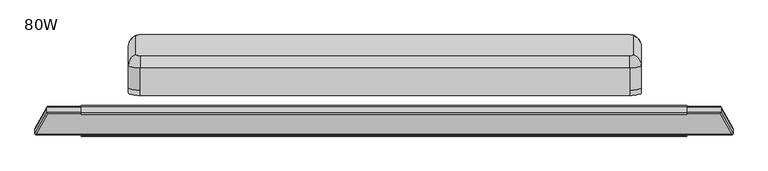
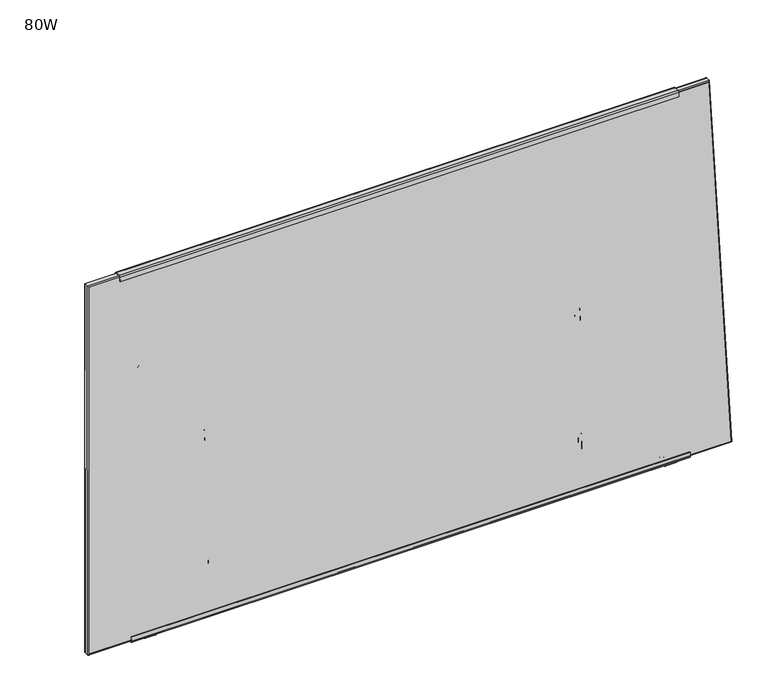
"""IFC4 building model written with IfcOpenShell, lengths in millimetres: furniture geometry, 80W."""

from ifc_helpers import new_model, si_unit, point, frame, frame_2d, origin, place, context, project, spatial, polyline, circle_curve, ellipse_curve, trimmed, segment, composite_curve, outline, extrude, source, transform, mapped, element, save
from ifc_brep_helpers import plane_surface, cylinder_surface, revolved_surface, advanced_brep


def furniture_80w_b59c00e8(model_context):
    return source(origin(), model_context, "Body", "SolidModel", [
        extrude(outline(composite_curve([segment(trimmed(circle_curve(frame_2d((0.0, -1.3809271)), 1.3809271), [point((0.0, -2.7618542))], [point((1.3809271, -1.3809275))], True, "CARTESIAN"), True, "CONTINUOUS"), segment(polyline([(1.3809271, -1.3809275), (1.3809331, 22.4892676)]), True, "CONTINUOUS"), segment(trimmed(circle_curve(frame_2d((0.0128467, 22.489268)), 1.3680864), [point((1.3809331, 22.4892676))], [point((0.0128467, 23.8573544))], True, "CARTESIAN"), True, "CONTINUOUS"), segment(polyline([(0.0128467, 23.8573544), (-17.9462587, 23.8573544)]), True, "CONTINUOUS"), segment(trimmed(circle_curve(frame_2d((-17.9462587, 28.6619926)), 4.8046382), [point((-17.9462587, 23.8573544))], [point((-22.7508969, 28.6619926))], False, "CARTESIAN"), True, "CONTINUOUS"), segment(polyline([(-22.7508969, 28.6619926), (-22.7508969, 46.082609), (-19.7014948, 46.082609), (-19.7014994, 28.2553941)]), True, "CONTINUOUS"), segment(trimmed(circle_curve(frame_2d((-18.3514573, 28.2553938)), 1.3500421), [point((-19.7014994, 28.2553941))], [point((-18.3514573, 26.9053517))], True, "CARTESIAN"), True, "CONTINUOUS"), segment(polyline([(-18.3514573, 26.9053517), (-0.2870618, 26.9053517)]), True, "CONTINUOUS"), segment(trimmed(circle_curve(frame_2d((-0.2870618, 22.1894808)), 4.7158708), [point((-0.2870618, 26.9053517))], [point((4.428809, 22.1894796))], False, "CARTESIAN"), True, "CONTINUOUS"), segment(polyline([(4.428809, 22.1894796), (4.4288032, -0.6723231)]), True, "CONTINUOUS"), segment(trimmed(circle_curve(frame_2d((-0.7084718, -0.6723218)), 5.1372751), [point((4.4288032, -0.6723231))], [point((-0.7084718, -5.809597))], False, "CARTESIAN"), True, "CONTINUOUS"), segment(polyline([(-0.7084718, -5.809597), (-8.1440729, -5.809597), (-8.1440729, -2.7618542), (0.0, -2.7618542)]), True, "CONTINUOUS")], self_intersect=False)), frame((1590.6345165, 32.3737244, 144.3796724), z_axis=(0.0, 0.05233595624294945, 0.9986295347545736), x_axis=(0.0, 0.9986295347545736, -0.05233595624294945)), (0.0, 0.0, 1.0), 50.4083184),
        extrude(outline(composite_curve([segment(trimmed(circle_curve(frame_2d((0.0, -1.3809271)), 1.3809271), [point((0.0, -2.7618542))], [point((1.380927, -1.3809275))], True, "CARTESIAN"), True, "CONTINUOUS"), segment(polyline([(1.380927, -1.3809275), (1.3809331, 22.4892599)]), True, "CONTINUOUS"), segment(trimmed(circle_curve(frame_2d((0.0128467, 22.4892602)), 1.3680864), [point((1.3809331, 22.4892599))], [point((0.0128467, 23.8573466))], True, "CARTESIAN"), True, "CONTINUOUS"), segment(polyline([(0.0128467, 23.8573466), (-29.8525087, 23.8573466)]), True, "CONTINUOUS"), segment(trimmed(circle_curve(frame_2d((-29.8525087, 28.6619848)), 4.8046382), [point((-29.8525087, 23.8573466))], [point((-34.6571469, 28.6619848))], False, "CARTESIAN"), True, "CONTINUOUS"), segment(polyline([(-34.6571469, 28.6619848), (-34.6571469, 46.0826012), (-31.6077448, 46.0826012), (-31.6077494, 28.2553863)]), True, "CONTINUOUS"), segment(trimmed(circle_curve(frame_2d((-30.2577073, 28.255386)), 1.3500421), [point((-31.6077494, 28.2553863))], [point((-30.2577073, 26.9053439))], True, "CARTESIAN"), True, "CONTINUOUS"), segment(polyline([(-30.2577073, 26.9053439), (-0.2870619, 26.9053439)]), True, "CONTINUOUS"), segment(trimmed(circle_curve(frame_2d((-0.2870619, 22.1894731)), 4.7158708), [point((-0.2870619, 26.9053439))], [point((4.428809, 22.1894719))], False, "CARTESIAN"), True, "CONTINUOUS"), segment(polyline([(4.428809, 22.1894719), (4.4288032, -0.6723231)]), True, "CONTINUOUS"), segment(trimmed(circle_curve(frame_2d((-0.7084719, -0.6723218)), 5.1372751), [point((4.4288032, -0.6723231))], [point((-0.7084719, -5.809597))], False, "CARTESIAN"), True, "CONTINUOUS"), segment(polyline([(-0.7084719, -5.809597), (-8.144073, -5.809597), (-8.144073, -2.7618542), (0.0, -2.7618542)]), True, "CONTINUOUS")], self_intersect=False)), frame((1591.0313915, 51.2771859, 562.9379975), z_axis=(0.0, 0.08715574274766424, 0.996194698091745), x_axis=(0.0, 0.996194698091745, -0.08715574274766424)), (0.0, 0.0, 1.0), 51.1352235),
        extrude(outline(composite_curve([segment(polyline([(-2.4039227, 19.3703361), (-18.8919156, 20.2344351)]), True, "CONTINUOUS"), segment(trimmed(circle_curve(frame_2d((-18.6526375, 24.800132)), 4.5719626), [point((-18.8919156, 20.2344351))], [point((-23.2162566, 25.0762164))], False, "CARTESIAN"), True, "CONTINUOUS"), segment(polyline([(-23.2162566, 25.0762164), (-22.4585421, 39.5342703), (-20.1749938, 39.4145946), (-20.9327541, 24.95567)]), True, "CONTINUOUS"), segment(trimmed(circle_curve(frame_2d((-18.6507538, 24.8360754)), 2.285132), [point((-20.9327541, 24.95567))], [point((-18.7703484, 22.5540751))], True, "CARTESIAN"), True, "CONTINUOUS"), segment(polyline([(-18.7703484, 22.5540751), (-2.2823555, 21.689976)]), True, "CONTINUOUS"), segment(trimmed(circle_curve(frame_2d((-2.1627609, 23.9719763)), 2.285132), [point((-2.2823555, 21.689976))], [point((0.1192394, 23.8523818))], True, "CARTESIAN"), True, "CONTINUOUS"), segment(polyline([(0.1192394, 23.8523818), (0.8769993, 38.3113064), (3.1606988, 38.1916228), (2.4031314, 23.7363749)]), True, "CONTINUOUS"), segment(trimmed(circle_curve(frame_2d((-2.2023575, 23.9777383)), 4.6118092), [point((2.4031314, 23.7363749))], [point((-2.4039227, 19.3703361))], False, "CARTESIAN"), True, "CONTINUOUS")], self_intersect=False)), frame((91.8930192, 0.0, 0.0), z_axis=(1.0, 0.0, 0.0), x_axis=(0.0, 1.0, 0.0)), (0.0, 0.0, 1.0), 1801.5677456),
        extrude(outline(composite_curve([segment(polyline([(8.144073, 0.0), (0.0, 0.0), (0.0, 3.0477428), (7.4356011, 3.0477428)]), True, "CONTINUOUS"), segment(trimmed(circle_curve(frame_2d((7.4356011, -2.0895324)), 5.1372751), [point((7.4356011, 3.0477428))], [point((12.5728762, -2.0895311))], False, "CARTESIAN"), True, "CONTINUOUS"), segment(polyline([(12.5728762, -2.0895311), (12.5728819, -24.9513261)]), True, "CONTINUOUS"), segment(trimmed(circle_curve(frame_2d((7.8570111, -24.9513273)), 4.7158708), [point((12.5728819, -24.9513261))], [point((7.8570111, -29.6671981))], False, "CARTESIAN"), True, "CONTINUOUS"), segment(polyline([(7.8570111, -29.6671981), (-22.1136344, -29.6671981)]), True, "CONTINUOUS"), segment(trimmed(circle_curve(frame_2d((-22.1136344, -31.0172402)), 1.3500421), [point((-22.1136344, -29.6671981))], [point((-23.4636765, -31.0172405))], True, "CARTESIAN"), True, "CONTINUOUS"), segment(polyline([(-23.4636765, -31.0172405), (-23.4636719, -48.8444554), (-26.513074, -48.8444554), (-26.513074, -31.423839)]), True, "CONTINUOUS"), segment(trimmed(circle_curve(frame_2d((-21.7084358, -31.423839)), 4.8046382), [point((-26.513074, -31.423839))], [point((-21.7084358, -26.6192008))], False, "CARTESIAN"), True, "CONTINUOUS"), segment(polyline([(-21.7084358, -26.6192008), (8.1569196, -26.6192008)]), True, "CONTINUOUS"), segment(trimmed(circle_curve(frame_2d((8.1569196, -25.2511144)), 1.3680864), [point((8.1569196, -26.6192008))], [point((9.525006, -25.2511141))], True, "CARTESIAN"), True, "CONTINUOUS"), segment(polyline([(9.525006, -25.2511141), (9.525, -1.3809267)]), True, "CONTINUOUS"), segment(trimmed(circle_curve(frame_2d((8.144073, -1.3809271)), 1.3809271), [point((9.525, -1.3809267))], [point((8.144073, 0.0))], True, "CARTESIAN"), True, "CONTINUOUS")], self_intersect=False)), frame((373.9130043, 43.1641036, 563.6478002), z_axis=(0.0, 0.08715574274766426, 0.996194698091745), x_axis=(0.0, 0.996194698091745, -0.08715574274766426)), (0.0, 0.0, 1.0), 51.1352235),
        extrude(outline(composite_curve([segment(polyline([(8.1440729, 0.0), (0.0, 0.0), (0.0, 3.0477428), (7.435601, 3.0477428)]), True, "CONTINUOUS"), segment(trimmed(circle_curve(frame_2d((7.435601, -2.0895324)), 5.1372751), [point((7.435601, 3.0477428))], [point((12.5728761, -2.0895311))], False, "CARTESIAN"), True, "CONTINUOUS"), segment(polyline([(12.5728761, -2.0895311), (12.5728819, -24.9513338)]), True, "CONTINUOUS"), segment(trimmed(circle_curve(frame_2d((7.8570111, -24.951335)), 4.7158708), [point((12.5728819, -24.9513338))], [point((7.8570111, -29.6672059))], False, "CARTESIAN"), True, "CONTINUOUS"), segment(polyline([(7.8570111, -29.6672059), (-10.2073845, -29.6672059)]), True, "CONTINUOUS"), segment(trimmed(circle_curve(frame_2d((-10.2073845, -31.017248)), 1.3500421), [point((-10.2073845, -29.6672059))], [point((-11.5574266, -31.0172483))], True, "CARTESIAN"), True, "CONTINUOUS"), segment(polyline([(-11.5574266, -31.0172483), (-11.5574219, -48.8444632), (-14.606824, -48.8444632), (-14.606824, -31.4238468)]), True, "CONTINUOUS"), segment(trimmed(circle_curve(frame_2d((-9.8021859, -31.4238468)), 4.8046382), [point((-14.606824, -31.4238468))], [point((-9.8021859, -26.6192086))], False, "CARTESIAN"), True, "CONTINUOUS"), segment(polyline([(-9.8021859, -26.6192086), (8.1569196, -26.6192086)]), True, "CONTINUOUS"), segment(trimmed(circle_curve(frame_2d((8.1569196, -25.2511222)), 1.3680864), [point((8.1569196, -26.6192086))], [point((9.525006, -25.2511218))], True, "CARTESIAN"), True, "CONTINUOUS"), segment(polyline([(9.525006, -25.2511218), (9.525, -1.3809267)]), True, "CONTINUOUS"), segment(trimmed(circle_curve(frame_2d((8.1440729, -1.3809271)), 1.3809271), [point((9.525, -1.3809267))], [point((8.1440729, 0.0))], True, "CARTESIAN"), True, "CONTINUOUS")], self_intersect=False)), frame((373.9130043, 24.2408127, 144.8059002), z_axis=(0.0, 0.05233595624294945, 0.9986295347545736), x_axis=(0.0, 0.9986295347545736, -0.05233595624294945)), (0.0, 0.0, 1.0), 50.4083184),
        extrude(outline(composite_curve([segment(polyline([(-18.5911719, 20.5975436), (21.1676183, 20.5975436)]), True, "CONTINUOUS"), segment(trimmed(circle_curve(frame_2d((21.1676183, 22.2066346)), 1.609091), [point((21.1676183, 20.5975436))], [point((22.7108138, 22.6623993))], True, "CARTESIAN"), True, "CONTINUOUS"), segment(polyline([(22.7108138, 22.6623993), (4.5957637, 83.9990238), (4.5957637, 96.8063842), (8.0168765, 96.8063842), (8.0168765, 84.5839696), (25.9416036, 23.891769)]), True, "CONTINUOUS"), segment(trimmed(circle_curve(frame_2d((20.9377121, 22.4139285)), 5.217561), [point((25.9416036, 23.891769))], [point((20.9377121, 17.1963676))], False, "CARTESIAN"), True, "CONTINUOUS"), segment(polyline([(20.9377121, 17.1963676), (-17.0817223, 17.1963676)]), True, "CONTINUOUS"), segment(trimmed(circle_curve(frame_2d((-17.0817223, 22.1226629)), 4.9262954), [point((-17.0817223, 17.1963676))], [point((-22.0080176, 22.1226629))], False, "CARTESIAN"), True, "CONTINUOUS"), segment(polyline([(-22.0080176, 22.1226629), (-22.0080176, 36.4727737), (-18.5911719, 36.4727737), (-18.5911719, 20.5975436)]), True, "CONTINUOUS")], self_intersect=False)), frame((1812.1384343, 0.0, 0.0), z_axis=(1.0, 0.0, 0.0), x_axis=(0.0, 1.0, 0.0)), (0.0, 0.0, 1.0), 38.1),
        extrude(outline(composite_curve([segment(trimmed(circle_curve(frame_2d((1833.7950191, 29.5612365)), 15.0532637), [point((1821.7965171, 20.4707637))], [point((1820.7122549, 37.0071769))], False, "CARTESIAN"), True, "CONTINUOUS"), segment(polyline([(1820.7122549, 37.0071769), (1841.2938431, 37.0071769)]), True, "CONTINUOUS"), segment(trimmed(circle_curve(frame_2d((1828.211079, 29.5612365)), 15.0532637), [point((1841.2938431, 37.0071769))], [point((1840.209581, 20.4707637))], False, "CARTESIAN"), True, "CONTINUOUS"), segment(polyline([(1840.209581, 20.4707637), (1821.7965171, 20.4707637)]), True, "CONTINUOUS")], self_intersect=False)), frame((0.0, 0.0, 13.858606), z_axis=(0.0, 0.0, 1.0), x_axis=(1.0, 0.0, 0.0)), (0.0, 0.0, 1.0), 3.3377616),
        advanced_brep(
        [(1831.1884343, 32.5853659, 13.858606), (1831.1884343, 31.9984282, 14.8752118), (1831.1884343, 25.375017, 14.8752118), (1831.1884343, 24.7880793, 13.858606), (1831.1884343, 36.6173395, 11.2402116), (1831.1884343, 20.7561056, 11.2402116), (1831.1884343, 36.6173395, 8.74896), (1831.1884343, 20.7561056, 8.74896), (1831.1884343, 35.0356704, 8.74896), (1831.1884343, 22.3377748, 8.74896), (1831.1884343, 39.8952895, 5.9432577), (1831.1884343, 17.4781557, 5.9432577), (1831.1884343, 43.0859452, 3.5556814), (1831.1884343, 14.2875, 3.5556814), (1831.1884343, 41.0330539, 0.0), (1831.1884343, 16.3403912, 0.0), (1831.1884343, 28.6867226, 0.0), (1831.1884343, 32.6380713, 17.1963676), (1831.1884343, 28.6867226, 17.1963676), (1831.1884343, 24.7353739, 17.1963676), (1831.1884343, 32.6380713, 15.514855), (1831.1884343, 24.7353739, 15.514855)],
        [
            (0, 1),
            (1, 2, circle_curve(frame((1831.1884343, 28.6867226, 14.8752118), z_axis=(0.0, 0.0, -1.0), x_axis=(0.0, -1.0, 0.0)), 3.3117056)),
            (2, 3),
            (3, 0, circle_curve(frame((1831.1884343, 28.6867226, 13.858606), z_axis=(0.0, 0.0, 1.0), x_axis=(0.0, -1.0, 0.0)), 3.8986433)),
            (2, 1, circle_curve(frame((1831.1884343, 28.6867226, 14.8752118), z_axis=(0.0, 0.0, -1.0), x_axis=(0.0, -1.0, 0.0)), 3.3117056)),
            (0, 3, circle_curve(frame((1831.1884343, 28.6867226, 13.858606), z_axis=(0.0, 0.0, 1.0), x_axis=(0.0, -1.0, 0.0)), 3.8986433)),
            (4, 0),
            (3, 5),
            (5, 4, circle_curve(frame((1831.1884343, 28.6867226, 11.2402116), z_axis=(0.0, 0.0, 1.0), x_axis=(0.0, -1.0, 0.0)), 7.930617)),
            (4, 5, circle_curve(frame((1831.1884343, 28.6867226, 11.2402116), z_axis=(0.0, 0.0, 1.0), x_axis=(0.0, -1.0, 0.0)), 7.930617)),
            (6, 4),
            (5, 7),
            (7, 6, circle_curve(frame((1831.1884343, 28.6867226, 8.74896), z_axis=(0.0, 0.0, 1.0), x_axis=(0.0, -1.0, 0.0)), 7.930617)),
            (6, 7, circle_curve(frame((1831.1884343, 28.6867226, 8.74896), z_axis=(0.0, 0.0, 1.0), x_axis=(0.0, -1.0, 0.0)), 7.930617)),
            (8, 6),
            (7, 9),
            (9, 8, circle_curve(frame((1831.1884343, 28.6867226, 8.74896), z_axis=(0.0, 0.0, 1.0), x_axis=(0.0, -1.0, 0.0)), 6.3489478)),
            (8, 9, circle_curve(frame((1831.1884343, 28.6867226, 8.74896), z_axis=(0.0, 0.0, 1.0), x_axis=(0.0, -1.0, 0.0)), 6.3489478)),
            (10, 8, circle_curve(frame((1831.1884343, 39.5479154, 10.9529929), z_axis=(-1.0, 0.0, 0.0), x_axis=(0.0, -1.0, 0.0)), 5.0217642)),
            (9, 11, circle_curve(frame((1831.1884343, 17.8255298, 10.9529929), z_axis=(-1.0, 0.0, 0.0), x_axis=(0.0, 1.0, 0.0)), 5.0217642)),
            (11, 10, circle_curve(frame((1831.1884343, 28.6867226, 5.9432577), z_axis=(0.0, 0.0, 1.0), x_axis=(0.0, -1.0, 0.0)), 11.2085669)),
            (10, 11, circle_curve(frame((1831.1884343, 28.6867226, 5.9432577), z_axis=(0.0, 0.0, 1.0), x_axis=(0.0, -1.0, 0.0)), 11.2085669)),
            (12, 10, circle_curve(frame((1831.1884343, 40.1063377, 2.8995769), z_axis=(1.0, 0.0, 0.0), x_axis=(0.0, -1.0, 0.0)), 3.050989)),
            (11, 13, circle_curve(frame((1831.1884343, 17.2671075, 2.8995769), z_axis=(1.0, 0.0, 0.0), x_axis=(0.0, 1.0, 0.0)), 3.050989)),
            (13, 12, circle_curve(frame((1831.1884343, 28.6867226, 3.5556814), z_axis=(0.0, 0.0, 1.0), x_axis=(0.0, -1.0, 0.0)), 14.3992226)),
            (12, 13, circle_curve(frame((1831.1884343, 28.6867226, 3.5556814), z_axis=(0.0, 0.0, 1.0), x_axis=(0.0, -1.0, 0.0)), 14.3992226)),
            (14, 12),
            (13, 15),
            (15, 14, circle_curve(frame((1831.1884343, 28.6867226, 0.0), z_axis=(0.0, 0.0, 1.0), x_axis=(0.0, -1.0, 0.0)), 12.3463313)),
            (14, 15, circle_curve(frame((1831.1884343, 28.6867226, 0.0), z_axis=(0.0, 0.0, 1.0), x_axis=(0.0, -1.0, 0.0)), 12.3463313)),
            (16, 14),
            (15, 16),
            (17, 18),
            (18, 19),
            (19, 17, circle_curve(frame((1831.1884343, 28.6867226, 17.1963676), z_axis=(0.0, 0.0, 1.0), x_axis=(0.0, -1.0, 0.0)), 3.9513487)),
            (17, 19, circle_curve(frame((1831.1884343, 28.6867226, 17.1963676), z_axis=(0.0, 0.0, 1.0), x_axis=(0.0, -1.0, 0.0)), 3.9513487)),
            (20, 17),
            (19, 21),
            (21, 20, circle_curve(frame((1831.1884343, 28.6867226, 15.514855), z_axis=(0.0, 0.0, 1.0), x_axis=(0.0, -1.0, 0.0)), 3.9513487)),
            (20, 21, circle_curve(frame((1831.1884343, 28.6867226, 15.514855), z_axis=(0.0, 0.0, 1.0), x_axis=(0.0, -1.0, 0.0)), 3.9513487)),
            (1, 20),
            (21, 2),
        ],
        [
            revolved_surface(polyline([(1831.1884343, 25.375017, 14.8752118), (1831.1884343, 24.7880793, 13.858606)]), (1831.1884343, 28.6867226, 0.0), (0.0, 0.0, -1.0)),
            revolved_surface(polyline([(1831.1884343, 24.7880793, 13.858606), (1831.1884343, 20.7561056, 11.2402116)]), (1831.1884343, 28.6867226, 0.0), (0.0, 0.0, -1.0)),
            cylinder_surface(frame((1831.1884343, 28.6867226, 0.0), z_axis=(0.0, 0.0, -1.0), x_axis=(0.0, -1.0, 0.0)), 7.930617),
            plane_surface(frame((1831.1884343, 28.6867226, 8.74896), z_axis=(0.0, 0.0, -1.0), x_axis=(0.0, -1.0, 0.0))),
            revolved_surface(trimmed(ellipse_curve(frame((1831.1884343, 17.8255298, 10.9529929), z_axis=(-1.0, 0.0, 0.0), x_axis=(0.0, 1.0, 0.0)), 5.0217642, 5.0217642), [point((1831.1884343, 22.3377748, 8.74896))], [point((1831.1884343, 17.4781557, 5.9432577))], True, "CARTESIAN"), (1831.1884343, 28.6867226, 0.0), (0.0, 0.0, -1.0)),
            revolved_surface(trimmed(ellipse_curve(frame((1831.1884343, 17.2671075, 2.8995769), z_axis=(1.0, 0.0, 0.0), x_axis=(0.0, 1.0, 0.0)), 3.050989, 3.050989), [point((1831.1884343, 17.4781557, 5.9432577))], [point((1831.1884343, 14.2875, 3.5556814))], True, "CARTESIAN"), (1831.1884343, 28.6867226, 0.0), (0.0, 0.0, -1.0)),
            revolved_surface(polyline([(1831.1884343, 14.2875, 3.5556814), (1831.1884343, 16.3403912, 0.0)]), (1831.1884343, 28.6867226, 0.0), (0.0, 0.0, -1.0)),
            plane_surface(frame((1831.1884343, 28.6867226, 0.0), z_axis=(0.0, 0.0, -1.0), x_axis=(0.0, -1.0, 0.0))),
            plane_surface(frame((1831.1884343, 28.6867226, 17.1963676), z_axis=(0.0, 0.0, 1.0), x_axis=(0.0, -1.0, 0.0))),
            cylinder_surface(frame((1831.1884343, 28.6867226, 0.0), z_axis=(0.0, 0.0, -1.0), x_axis=(0.0, -1.0, 0.0)), 3.9513487),
            revolved_surface(polyline([(1831.1884343, 24.7353739, 15.514855), (1831.1884343, 25.375017, 14.8752118)]), (1831.1884343, 28.6867226, 0.0), (0.0, 0.0, -1.0)),
        ],
        [
            (0, [[1, 2, 3, 4]]),
            (0, [[-3, 5, -1, 6]]),
            (1, [[7, -4, 8, 9]]),
            (1, [[-8, -6, -7, 10]]),
            (2, [[11, -9, 12, 13]]),
            (2, [[-12, -10, -11, 14]]),
            (3, [[15, -13, 16, 17]]),
            (3, [[-16, -14, -15, 18]]),
            (4, [[19, -17, 20, 21]]),
            (4, [[-20, -18, -19, 22]]),
            (5, [[23, -21, 24, 25]]),
            (5, [[-24, -22, -23, 26]]),
            (6, [[27, -25, 28, 29]]),
            (6, [[-28, -26, -27, 30]]),
            (7, [[31, -29, 32]]),
            (7, [[-32, -30, -31]]),
            (8, [[33, 34, 35]]),
            (8, [[-34, -33, 36]]),
            (9, [[37, -35, 38, 39]]),
            (9, [[-38, -36, -37, 40]]),
            (10, [[41, -39, 42, -2]]),
            (10, [[-42, -40, -41, -5]]),
        ],
    ),
        extrude(outline(composite_curve([segment(polyline([(164.1160172, 20.0596599), (145.7029533, 20.0596599)]), True, "CONTINUOUS"), segment(trimmed(circle_curve(frame_2d((157.7014553, 29.1501327)), 15.0532637), [point((145.7029533, 20.0596599))], [point((144.6186912, 36.5960731))], False, "CARTESIAN"), True, "CONTINUOUS"), segment(polyline([(144.6186912, 36.5960731), (165.2002794, 36.5960731)]), True, "CONTINUOUS"), segment(trimmed(circle_curve(frame_2d((152.1175152, 29.1501327)), 15.0532637), [point((165.2002794, 36.5960731))], [point((164.1160172, 20.0596599))], False, "CARTESIAN"), True, "CONTINUOUS")], self_intersect=False)), frame((0.0, 0.0, 13.858606), z_axis=(0.0, 0.0, 1.0), x_axis=(1.0, 0.0, 0.0)), (0.0, 0.0, 1.0), 3.3377616),
        advanced_brep(
        [(154.3235293, 32.5853659, 13.858606), (154.3235293, 31.9984282, 14.8752118), (154.3235293, 25.375017, 14.8752118), (154.3235293, 24.7880793, 13.858606), (154.3235293, 36.6173395, 11.2402116), (154.3235293, 20.7561056, 11.2402116), (154.3235293, 36.6173395, 8.74896), (154.3235293, 20.7561056, 8.74896), (154.3235293, 35.0356704, 8.74896), (154.3235293, 22.3377748, 8.74896), (154.3235293, 39.8952895, 5.9432577), (154.3235293, 17.4781557, 5.9432577), (154.3235293, 43.0859452, 3.5556814), (154.3235293, 14.2875, 3.5556814), (154.3235293, 41.0330539, 0.0), (154.3235293, 16.3403912, 0.0), (154.3235293, 28.6867226, 0.0), (154.3235293, 32.6380713, 17.1963676), (154.3235293, 28.6867226, 17.1963676), (154.3235293, 24.7353739, 17.1963676), (154.3235293, 32.6380713, 15.514855), (154.3235293, 24.7353739, 15.514855)],
        [
            (0, 1),
            (1, 2, circle_curve(frame((154.3235293, 28.6867226, 14.8752118), z_axis=(0.0, 0.0, -1.0), x_axis=(0.0, -1.0, 0.0)), 3.3117056)),
            (2, 3),
            (3, 0, circle_curve(frame((154.3235293, 28.6867226, 13.858606), z_axis=(0.0, 0.0, 1.0), x_axis=(0.0, -1.0, 0.0)), 3.8986433)),
            (2, 1, circle_curve(frame((154.3235293, 28.6867226, 14.8752118), z_axis=(0.0, 0.0, -1.0), x_axis=(0.0, -1.0, 0.0)), 3.3117056)),
            (0, 3, circle_curve(frame((154.3235293, 28.6867226, 13.858606), z_axis=(0.0, 0.0, 1.0), x_axis=(0.0, -1.0, 0.0)), 3.8986433)),
            (4, 0),
            (3, 5),
            (5, 4, circle_curve(frame((154.3235293, 28.6867226, 11.2402116), z_axis=(0.0, 0.0, 1.0), x_axis=(0.0, -1.0, 0.0)), 7.930617)),
            (4, 5, circle_curve(frame((154.3235293, 28.6867226, 11.2402116), z_axis=(0.0, 0.0, 1.0), x_axis=(0.0, -1.0, 0.0)), 7.930617)),
            (6, 4),
            (5, 7),
            (7, 6, circle_curve(frame((154.3235293, 28.6867226, 8.74896), z_axis=(0.0, 0.0, 1.0), x_axis=(0.0, -1.0, 0.0)), 7.930617)),
            (6, 7, circle_curve(frame((154.3235293, 28.6867226, 8.74896), z_axis=(0.0, 0.0, 1.0), x_axis=(0.0, -1.0, 0.0)), 7.930617)),
            (8, 6),
            (7, 9),
            (9, 8, circle_curve(frame((154.3235293, 28.6867226, 8.74896), z_axis=(0.0, 0.0, 1.0), x_axis=(0.0, -1.0, 0.0)), 6.3489478)),
            (8, 9, circle_curve(frame((154.3235293, 28.6867226, 8.74896), z_axis=(0.0, 0.0, 1.0), x_axis=(0.0, -1.0, 0.0)), 6.3489478)),
            (10, 8, circle_curve(frame((154.3235293, 39.5479154, 10.9529929), z_axis=(-1.0, 0.0, 0.0), x_axis=(0.0, -1.0, 0.0)), 5.0217642)),
            (9, 11, circle_curve(frame((154.3235293, 17.8255298, 10.9529929), z_axis=(-1.0, 0.0, 0.0), x_axis=(0.0, 1.0, 0.0)), 5.0217642)),
            (11, 10, circle_curve(frame((154.3235293, 28.6867226, 5.9432577), z_axis=(0.0, 0.0, 1.0), x_axis=(0.0, -1.0, 0.0)), 11.2085669)),
            (10, 11, circle_curve(frame((154.3235293, 28.6867226, 5.9432577), z_axis=(0.0, 0.0, 1.0), x_axis=(0.0, -1.0, 0.0)), 11.2085669)),
            (12, 10, circle_curve(frame((154.3235293, 40.1063377, 2.8995769), z_axis=(1.0, 0.0, 0.0), x_axis=(0.0, -1.0, 0.0)), 3.050989)),
            (11, 13, circle_curve(frame((154.3235293, 17.2671075, 2.8995769), z_axis=(1.0, 0.0, 0.0), x_axis=(0.0, 1.0, 0.0)), 3.050989)),
            (13, 12, circle_curve(frame((154.3235293, 28.6867226, 3.5556814), z_axis=(0.0, 0.0, 1.0), x_axis=(0.0, -1.0, 0.0)), 14.3992226)),
            (12, 13, circle_curve(frame((154.3235293, 28.6867226, 3.5556814), z_axis=(0.0, 0.0, 1.0), x_axis=(0.0, -1.0, 0.0)), 14.3992226)),
            (14, 12),
            (13, 15),
            (15, 14, circle_curve(frame((154.3235293, 28.6867226, 0.0), z_axis=(0.0, 0.0, 1.0), x_axis=(0.0, -1.0, 0.0)), 12.3463313)),
            (14, 15, circle_curve(frame((154.3235293, 28.6867226, 0.0), z_axis=(0.0, 0.0, 1.0), x_axis=(0.0, -1.0, 0.0)), 12.3463313)),
            (16, 14),
            (15, 16),
            (17, 18),
            (18, 19),
            (19, 17, circle_curve(frame((154.3235293, 28.6867226, 17.1963676), z_axis=(0.0, 0.0, 1.0), x_axis=(0.0, -1.0, 0.0)), 3.9513487)),
            (17, 19, circle_curve(frame((154.3235293, 28.6867226, 17.1963676), z_axis=(0.0, 0.0, 1.0), x_axis=(0.0, -1.0, 0.0)), 3.9513487)),
            (20, 17),
            (19, 21),
            (21, 20, circle_curve(frame((154.3235293, 28.6867226, 15.514855), z_axis=(0.0, 0.0, 1.0), x_axis=(0.0, -1.0, 0.0)), 3.9513487)),
            (20, 21, circle_curve(frame((154.3235293, 28.6867226, 15.514855), z_axis=(0.0, 0.0, 1.0), x_axis=(0.0, -1.0, 0.0)), 3.9513487)),
            (1, 20),
            (21, 2),
        ],
        [
            revolved_surface(polyline([(154.3235293, 25.375017, 14.8752118), (154.3235293, 24.7880793, 13.858606)]), (154.3235293, 28.6867226, 0.0), (0.0, 0.0, -1.0)),
            revolved_surface(polyline([(154.3235293, 24.7880793, 13.858606), (154.3235293, 20.7561056, 11.2402116)]), (154.3235293, 28.6867226, 0.0), (0.0, 0.0, -1.0)),
            cylinder_surface(frame((154.3235293, 28.6867226, 0.0), z_axis=(0.0, 0.0, -1.0), x_axis=(0.0, -1.0, 0.0)), 7.930617),
            plane_surface(frame((154.3235293, 28.6867226, 8.74896), z_axis=(0.0, 0.0, -1.0), x_axis=(0.0, -1.0, 0.0))),
            revolved_surface(trimmed(ellipse_curve(frame((154.3235293, 17.8255298, 10.9529929), z_axis=(-1.0, 0.0, 0.0), x_axis=(0.0, 1.0, 0.0)), 5.0217642, 5.0217642), [point((154.3235293, 22.3377748, 8.74896))], [point((154.3235293, 17.4781557, 5.9432577))], True, "CARTESIAN"), (154.3235293, 28.6867226, 0.0), (0.0, 0.0, -1.0)),
            revolved_surface(trimmed(ellipse_curve(frame((154.3235293, 17.2671075, 2.8995769), z_axis=(1.0, 0.0, 0.0), x_axis=(0.0, 1.0, 0.0)), 3.050989, 3.050989), [point((154.3235293, 17.4781557, 5.9432577))], [point((154.3235293, 14.2875, 3.5556814))], True, "CARTESIAN"), (154.3235293, 28.6867226, 0.0), (0.0, 0.0, -1.0)),
            revolved_surface(polyline([(154.3235293, 14.2875, 3.5556814), (154.3235293, 16.3403912, 0.0)]), (154.3235293, 28.6867226, 0.0), (0.0, 0.0, -1.0)),
            plane_surface(frame((154.3235293, 28.6867226, 0.0), z_axis=(0.0, 0.0, -1.0), x_axis=(0.0, -1.0, 0.0))),
            plane_surface(frame((154.3235293, 28.6867226, 17.1963676), z_axis=(0.0, 0.0, 1.0), x_axis=(0.0, -1.0, 0.0))),
            cylinder_surface(frame((154.3235293, 28.6867226, 0.0), z_axis=(0.0, 0.0, -1.0), x_axis=(0.0, -1.0, 0.0)), 3.9513487),
            revolved_surface(polyline([(154.3235293, 24.7353739, 15.514855), (154.3235293, 25.375017, 14.8752118)]), (154.3235293, 28.6867226, 0.0), (0.0, 0.0, -1.0)),
        ],
        [
            (0, [[1, 2, 3, 4]]),
            (0, [[-3, 5, -1, 6]]),
            (1, [[7, -4, 8, 9]]),
            (1, [[-8, -6, -7, 10]]),
            (2, [[11, -9, 12, 13]]),
            (2, [[-12, -10, -11, 14]]),
            (3, [[15, -13, 16, 17]]),
            (3, [[-16, -14, -15, 18]]),
            (4, [[19, -17, 20, 21]]),
            (4, [[-20, -18, -19, 22]]),
            (5, [[23, -21, 24, 25]]),
            (5, [[-24, -22, -23, 26]]),
            (6, [[27, -25, 28, 29]]),
            (6, [[-28, -26, -27, 30]]),
            (7, [[31, -29, 32]]),
            (7, [[-32, -30, -31]]),
            (8, [[33, 34, 35]]),
            (8, [[-34, -33, 36]]),
            (9, [[37, -35, 38, 39]]),
            (9, [[-38, -36, -37, 40]]),
            (10, [[41, -39, 42, -2]]),
            (10, [[-42, -40, -41, -5]]),
        ],
    ),
        extrude(outline(composite_curve([segment(polyline([(-18.5911719, 20.5975436), (21.1676183, 20.5975436)]), True, "CONTINUOUS"), segment(trimmed(circle_curve(frame_2d((21.1676183, 22.2066346)), 1.609091), [point((21.1676183, 20.5975436))], [point((22.7108138, 22.6623993))], True, "CARTESIAN"), True, "CONTINUOUS"), segment(polyline([(22.7108138, 22.6623993), (4.5957637, 83.9990238), (4.5957637, 96.8063842), (8.0168765, 96.8063842), (8.0168765, 84.5839696), (25.9416036, 23.891769)]), True, "CONTINUOUS"), segment(trimmed(circle_curve(frame_2d((20.9377121, 22.4139285)), 5.217561), [point((25.9416036, 23.891769))], [point((20.9377121, 17.1963676))], False, "CARTESIAN"), True, "CONTINUOUS"), segment(polyline([(20.9377121, 17.1963676), (-17.0817223, 17.1963676)]), True, "CONTINUOUS"), segment(trimmed(circle_curve(frame_2d((-17.0817223, 22.1226629)), 4.9262954), [point((-17.0817223, 17.1963676))], [point((-22.0080176, 22.1226629))], False, "CARTESIAN"), True, "CONTINUOUS"), segment(polyline([(-22.0080176, 22.1226629), (-22.0080176, 36.4727737), (-18.5911719, 36.4727737), (-18.5911719, 20.5975436)]), True, "CONTINUOUS")], self_intersect=False)), frame((135.2735293, 0.0, 0.0), z_axis=(1.0, 0.0, 0.0), x_axis=(0.0, 1.0, 0.0)), (0.0, 0.0, 1.0), 38.1),
        extrude(outline(composite_curve([segment(trimmed(circle_curve(frame_2d((63.1940023, 1224.9956981)), 4.6118092), [point((63.475146, 1229.5989299))], [point((67.7994912, 1224.7543347))], False, "CARTESIAN"), True, "CONTINUOUS"), segment(polyline([(67.7994912, 1224.7543347), (67.0419238, 1210.2990868), (64.7582243, 1210.4187704), (65.5159844, 1224.877695)]), True, "CONTINUOUS"), segment(trimmed(circle_curve(frame_2d((63.2339843, 1224.9972896)), 2.285132), [point((65.5159844, 1224.877695))], [point((63.3535789, 1227.2792899))], True, "CARTESIAN"), True, "CONTINUOUS"), segment(polyline([(63.3535789, 1227.2792899), (46.865586, 1228.143389)]), True, "CONTINUOUS"), segment(trimmed(circle_curve(frame_2d((46.7459914, 1225.8613887)), 2.285132), [point((46.865586, 1228.143389))], [point((44.4639911, 1225.9809832))], True, "CARTESIAN"), True, "CONTINUOUS"), segment(polyline([(44.4639911, 1225.9809832), (43.7062311, 1211.5220586), (41.4226828, 1211.6417343), (42.1803973, 1226.0997882)]), True, "CONTINUOUS"), segment(trimmed(circle_curve(frame_2d((46.7478751, 1225.8973321)), 4.5719626), [point((42.1803973, 1226.0997882))], [point((46.9871532, 1230.463029))], False, "CARTESIAN"), True, "CONTINUOUS"), segment(polyline([(46.9871532, 1230.463029), (63.475146, 1229.5989299)]), True, "CONTINUOUS")], self_intersect=False)), frame((91.8930192, 0.0, 0.0), z_axis=(1.0, 0.0, 0.0), x_axis=(0.0, 1.0, 0.0)), (0.0, 0.0, 1.0), 1801.5677456),
        advanced_brep(
        [(-6.742614, 44.6672588, 1225.2689204), (-42.396106, -18.6036827, 25.6755586), (-42.396106, 1.8447546, 24.5970332), (-6.742614, 65.1156961, 1224.1903951), (-9.6543409, 47.7849773, 1228.1080801), (-45.4858794, -15.8019268, 22.5241861), (-43.2322377, -18.6464344, 24.865002), (-7.5305641, 44.7100105, 1226.0794775), (-9.6543409, 62.2608571, 1227.3445692), (-45.4858794, -1.3260469, 21.7606753), (-7.5734892, 65.1607768, 1225.0451088), (-43.2777876, 1.7996739, 23.74232), (2027.8733002, -18.6037159, 25.6749296), (2027.8733002, 1.8447214, 24.5964042), (2030.9630718, -15.8019601, 22.5235553), (2028.7094314, -18.6464676, 24.8643725), (2030.9630718, -1.3260802, 21.7600445), (2028.7549813, 1.7996407, 23.7416905), (1992.2205349, 44.667223, 1225.2682431), (1992.2205349, 65.1156604, 1224.1897178), (1995.1322636, 47.7849414, 1228.1074008), (1993.0084855, 44.7099748, 1226.0787997), (1995.1322636, 62.2608213, 1227.3438899), (1993.0514106, 65.1607411, 1225.044431)],
        [
            (0, 1),
            (1, 2),
            (2, 3),
            (3, 0),
            (4, 5),
            (5, 6, ellipse_curve(frame((-42.2909473, -15.6385688, 25.6213933), z_axis=(-0.6965388358903526, 0.03779205116794686, 0.7165231405649308), x_axis=(0.7175190938898506, 0.03668701160790489, 0.6955720042402291)), 4.4527485, 3.1015132)),
            (6, 7),
            (7, 4, ellipse_curve(frame((-6.643515, 47.6216191, 1225.0108709), z_axis=(-0.717519106109834, -0.03668701094488624, -0.6955719916696435), x_axis=(-0.6965388233022944, 0.037792051811578825, 0.7165231527679521)), 4.3225528, 3.1015132)),
            (8, 9),
            (9, 5),
            (4, 8),
            (10, 11),
            (11, 9, ellipse_curve(frame((-42.1946672, -1.1577661, 24.9512176), z_axis=(-0.6965388358903526, 0.03779205116794686, 0.7165231405649308), x_axis=(0.7175190938898506, 0.03668701160790489, 0.6955720042402291)), 4.5869332, 3.1949781)),
            (8, 10, ellipse_curve(frame((-6.552783, 62.0925762, 1224.1540248), z_axis=(-0.717519106109834, -0.03668701094488624, -0.6955719916696435), x_axis=(-0.6965388233022944, 0.037792051811578825, 0.7165231527679521)), 4.4528141, 3.1949781)),
            (1, 12),
            (12, 13),
            (13, 2),
            (5, 14),
            (14, 15, ellipse_curve(frame((2027.7681416, -15.6386019, 25.6207645), z_axis=(-0.6965392705807858, -0.037792028942053815, -0.7165227191703204), x_axis=(-0.7175186719095099, 0.036687034503244155, 0.6955724383272895)), 4.4527485, 3.1015132)),
            (15, 6),
            (9, 16),
            (16, 14),
            (11, 17),
            (17, 16, ellipse_curve(frame((2027.6718616, -1.1577992, 24.9505888), z_axis=(-0.6965392705807858, -0.037792028942053815, -0.7165227191703204), x_axis=(-0.7175186719095099, 0.036687034503244155, 0.6955724383272895)), 4.5869332, 3.1949781)),
            (12, 18),
            (18, 19),
            (19, 13),
            (14, 20),
            (20, 21, ellipse_curve(frame((1992.1214359, 47.6215834, 1225.0101936), z_axis=(0.717518659689519, -0.036687035166262386, -0.6955724508978671), x_axis=(-0.6965392831688364, -0.03779202829842144, -0.7165227069672914)), 4.3225527, 3.1015132)),
            (21, 15),
            (16, 22),
            (22, 20),
            (17, 23),
            (23, 22, ellipse_curve(frame((1992.0307038, 62.0925404, 1224.1533476), z_axis=(0.717518659689519, -0.036687035166262386, -0.6955724508978671), x_axis=(-0.6965392831688364, -0.03779202829842144, -0.7165227069672914)), 4.4528139, 3.1949781)),
            (18, 0),
            (3, 19),
            (21, 7),
            (20, 4),
            (22, 8),
            (23, 10),
        ],
        [
            plane_surface(frame((-6.742614, 65.1156961, 1224.1903951), z_axis=(0.9995598377994588, -0.0015625739365209303, -0.029625816799079996), x_axis=(-0.029666996112173962, -0.05264726312822117, -0.9981723974478498))),
            cylinder_surface(frame((-6.6405749, 47.6268367, 1225.1097943), z_axis=(0.02966699611217451, 0.05264726312822118, 0.9981723974478498), x_axis=(0.9995598377994588, -0.001562573936523965, -0.029625816799080384)), 3.1015132),
            plane_surface(frame((-9.6543409, 47.7849773, 1228.1080801), z_axis=(-0.9995598377994588, 0.0015625739365234858, 0.029625816799079815), x_axis=(-0.029666996112173917, -0.05264726312822118, -0.9981723974478498))),
            cylinder_surface(frame((-6.5471511, 62.1025705, 1224.3435145), z_axis=(0.02966699611217451, 0.05264726312822118, 0.9981723974478498), x_axis=(0.9995598377994588, -0.001562573936523965, -0.029625816799080384)), 3.1949781),
            plane_surface(frame((-42.396106, 1.8447546, 24.5970332), z_axis=(3.0421475510617615e-07, 0.052670446667930595, 0.9986119486806216), x_axis=(0.9999999999999538, -1.6023127035252725e-08, -3.037924894139466e-07))),
            cylinder_surface(frame((-42.3961118, -15.6385688, 25.6213934), z_axis=(-0.9999999999999538, 1.6023127055221143e-08, 3.03792489808425e-07), x_axis=(3.042147555011587e-07, 0.052670446667927605, 0.9986119486806218)), 3.1015132),
            plane_surface(frame((-45.4858794, -15.8019268, 22.5241861), z_axis=(-3.042147550737079e-07, -0.05267044666792804, -0.9986119486806218), x_axis=(0.9999999999999538, -1.602312703302297e-08, -3.0379248938155083e-07))),
            cylinder_surface(frame((-42.3961118, -1.1577661, 24.9512177), z_axis=(-0.9999999999999538, 1.6023127055221143e-08, 3.03792489808425e-07), x_axis=(3.042147555011587e-07, 0.052670446667927605, 0.9986119486806218)), 3.1949781),
            plane_surface(frame((2027.8733002, 1.8447214, 24.5964042), z_axis=(-0.9995598556949801, -0.0015625421786780566, -0.029625214682269464), x_axis=(-0.029666393158432693, 0.05264726407078628, 0.9981724153185312))),
            cylinder_surface(frame((2027.7712614, -15.6441386, 25.5157921), z_axis=(0.029666393158432475, -0.05264726407078628, -0.9981724153185313), x_axis=(-0.9995598556949802, -0.0015625421786810416, -0.029625214682269085)), 3.1015132),
            plane_surface(frame((2030.9630718, -15.8019601, 22.5235553), z_axis=(0.9995598556949802, 0.0015625421786806004, 0.02962521468226917), x_axis=(-0.02966639315843253, 0.05264726407078627, 0.9981724153185312))),
            cylinder_surface(frame((2027.6778377, -1.1684047, 24.7495124), z_axis=(0.029666393158432475, -0.05264726407078628, -0.9981724153185313), x_axis=(-0.9995598556949802, -0.0015625421786810416, -0.029625214682269085)), 3.1949781),
            plane_surface(frame((1992.2205349, 65.1156604, 1224.1897178), z_axis=(-3.393024855375486e-07, -0.05267044666792397, -0.9986119486806107), x_axis=(-0.9999999999999425, 1.787121346451847e-08, 3.3883151627507137e-07))),
            plane_surface(frame((1992.2205349, 44.667223, 1225.2682431), z_axis=(0.0, -0.998611948680668, 0.05267044666793121), x_axis=(-0.9999999999999425, 1.7871213460286326e-08, 3.3883151627507137e-07))),
            cylinder_surface(frame((1992.2205404, 47.6215834, 1225.0101936), z_axis=(0.9999999999999424, -1.7871213465048693e-08, -3.38831516467176e-07), x_axis=(-3.3930248572941447e-07, -0.05267044666792695, -0.9986119486806103)), 3.1015132),
            plane_surface(frame((1995.1322636, 47.7849414, 1228.1074008), z_axis=(3.393024854689892e-07, 0.05267044666792651, 0.9986119486806104), x_axis=(-0.9999999999999425, 1.7871213473340034e-08, 3.3883151620595147e-07))),
            cylinder_surface(frame((1992.2205404, 62.0925404, 1224.1533476), z_axis=(0.9999999999999424, -1.7871213465048693e-08, -3.38831516467176e-07), x_axis=(-3.3930248572941447e-07, -0.05267044666792695, -0.9986119486806103)), 3.1949781),
            plane_surface(frame((1993.0514106, 65.1607411, 1225.044431), z_axis=(0.0, 0.9986119486806683, -0.05267044666792711), x_axis=(-0.9999999999999425, 1.7871213472457726e-08, 3.388315163950438e-07))),
        ],
        [
            (0, [[1, 2, 3, 4]]),
            (1, [[5, 6, 7, 8]]),
            (2, [[9, 10, -5, 11]]),
            (3, [[12, 13, -9, 14]]),
            (4, [[15, 16, 17, -2]]),
            (5, [[18, 19, 20, -6]]),
            (6, [[21, 22, -18, -10]]),
            (7, [[23, 24, -21, -13]]),
            (8, [[25, 26, 27, -16]]),
            (9, [[28, 29, 30, -19]]),
            (10, [[31, 32, -28, -22]]),
            (11, [[33, 34, -31, -24]]),
            (12, [[35, -4, 36, -26]]),
            (13, [[-7, -20, -30, 37], [-1, -35, -25, -15]]),
            (14, [[38, -8, -37, -29]]),
            (15, [[39, -11, -38, -32]]),
            (16, [[40, -14, -39, -34]]),
            (17, [[-12, -40, -33, -23], [-3, -17, -27, -36]]),
        ],
    ),
        extrude(outline(polyline([(-1998.9631599, -1e-07), (-2034.6163332, 1201.2607243), (35.6530848, 1201.260797), (0.0, 0.0), (-1998.9631599, -1e-07)])), frame((-6.7426195, 64.4339648, 1224.2263419), z_axis=(0.0, -0.9986711709448152, 0.05153535023371689), x_axis=(-0.9999999999999425, 1.7486072670655695e-08, 3.3885161525117235e-07)), (0.0, 0.0, 1.0), 19.7941724),
        advanced_brep(
        [(267.5846752, 217.2921337, 767.8572736), (1723.0725, 217.2921337, 767.8572736), (1735.7725, 220.1490121, 755.4827738), (1735.7725, 276.0967018, 513.1467057), (1723.0725, 278.9535802, 500.7722059), (267.5846752, 278.9535802, 500.7722059), (254.8846752, 276.0967018, 513.1467057), (254.8846752, 220.1490121, 755.4827738), (267.5846752, 98.3553775, 763.566931), (232.3101079, 106.2904287, 729.1964486), (232.3101079, 162.2381183, 486.8603805), (267.5846752, 170.1731694, 452.4898981), (1723.0725, 170.1731694, 452.4898981), (1758.3470673, 162.2381183, 486.8603805), (1758.3470673, 106.2904287, 729.1964486), (1723.0725, 98.3553775, 763.566931), (1723.0725, 113.2061417, 766.9955001), (1723.0725, 179.8740623, 782.3870023), (267.5846752, 179.8740623, 782.3870023), (267.5846752, 113.2061417, 766.9955001), (1758.3470673, 121.1411928, 732.6250176), (1758.3470673, 177.0888824, 490.2889496), (1758.3470673, 243.7568031, 505.6804518), (1758.3470673, 187.8091134, 748.0165199), (1723.0725, 185.0239336, 455.9184671), (267.5846752, 185.0239336, 455.9184671), (267.5846752, 251.6918542, 471.3099694), (1723.0725, 251.6918542, 471.3099694), (232.3101079, 177.0888824, 490.2889496), (232.3101079, 121.1411928, 732.6250176), (232.3101079, 187.8091134, 748.0165199), (232.3101079, 243.7568031, 505.6804518)],
        [
            (0, 1),
            (1, 2, circle_curve(frame((1723.0725, 220.1490121, 755.4827738), z_axis=(0.0, 0.9743700647852357, 0.22495105434386325), x_axis=(1.0, 0.0, 0.0)), 12.7)),
            (2, 3),
            (3, 4, circle_curve(frame((1723.0725, 276.0967018, 513.1467057), z_axis=(0.0, 0.9743700647852357, 0.22495105434386325), x_axis=(0.0, 0.22495105434386325, -0.9743700647852357)), 12.7)),
            (4, 5),
            (5, 6, circle_curve(frame((267.5846752, 276.0967018, 513.1467057), z_axis=(0.0, 0.9743700647852357, 0.22495105434386325), x_axis=(-1.0000000000000002, 0.0, 0.0)), 12.7)),
            (6, 7),
            (7, 0, circle_curve(frame((267.5846752, 220.1490121, 755.4827738), z_axis=(0.0, 0.9743700647852357, 0.22495105434386325), x_axis=(0.0, -0.22495105434386325, 0.9743700647852357)), 12.7)),
            (8, 9, circle_curve(frame((267.5846752, 106.2904287, 729.1964486), z_axis=(0.0, -0.9743700647852356, -0.2249510543438635), x_axis=(-1.0, 0.0, 0.0)), 35.2745673)),
            (9, 10),
            (10, 11, circle_curve(frame((267.5846752, 162.2381183, 486.8603805), z_axis=(0.0, -0.9743700647852356, -0.2249510543438635), x_axis=(-1.0, 0.0, 0.0)), 35.2745673)),
            (11, 12),
            (12, 13, circle_curve(frame((1723.0725, 162.2381183, 486.8603805), z_axis=(0.0, -0.9743700647852356, -0.22495105434386362), x_axis=(-1.0, 0.0, 0.0)), 35.2745673)),
            (13, 14),
            (14, 15, circle_curve(frame((1723.0725, 106.2904287, 729.1964486), z_axis=(0.0, -0.9743700647852356, -0.22495105434386362), x_axis=(-1.0, 0.0, 0.0)), 35.2745673)),
            (15, 8),
            (15, 16),
            (16, 17),
            (17, 18),
            (18, 19),
            (19, 8),
            (14, 20),
            (20, 16, circle_curve(frame((1723.0725, 121.1411928, 732.6250176), z_axis=(0.0, -0.9743700647852356, -0.22495105434386362), x_axis=(-1.0, 0.0, 0.0)), 35.2745673)),
            (13, 21),
            (21, 22),
            (22, 23),
            (23, 20),
            (12, 24),
            (24, 21, circle_curve(frame((1723.0725, 177.0888824, 490.2889496), z_axis=(0.0, -0.9743700647852356, -0.22495105434386362), x_axis=(-1.0, 0.0, 0.0)), 35.2745673)),
            (11, 25),
            (25, 26),
            (26, 27),
            (27, 24),
            (10, 28),
            (28, 25, circle_curve(frame((267.5846752, 177.0888824, 490.2889496), z_axis=(0.0, -0.9743700647852356, -0.2249510543438635), x_axis=(-1.0, 0.0, 0.0)), 35.2745673)),
            (9, 29),
            (29, 30),
            (30, 31),
            (31, 28),
            (19, 29, circle_curve(frame((267.5846752, 121.1411928, 732.6250176), z_axis=(0.0, -0.9743700647852356, -0.2249510543438635), x_axis=(-1.0, 0.0, 0.0)), 35.2745673)),
            (18, 30, circle_curve(frame((267.5846752, 187.8091134, 748.0165199), z_axis=(0.0, -0.9743700647852357, -0.22495105434386325), x_axis=(0.0, -0.22495105434386325, 0.9743700647852357)), 35.2745673)),
            (31, 26, circle_curve(frame((267.5846752, 243.7568031, 505.6804518), z_axis=(0.0, -0.9743700647852357, -0.22495105434386325), x_axis=(-1.0000000000000002, 0.0, 0.0)), 35.2745673)),
            (27, 22, circle_curve(frame((1723.0725, 243.7568031, 505.6804518), z_axis=(0.0, -0.9743700647852357, -0.22495105434386325), x_axis=(0.0, 0.22495105434386325, -0.9743700647852357)), 35.2745673)),
            (23, 17, circle_curve(frame((1723.0725, 187.8091134, 748.0165199), z_axis=(0.0, -0.9743700647852357, -0.22495105434386325), x_axis=(1.0, 0.0, 0.0)), 35.2745673)),
            (18, 0, circle_curve(frame((267.5846752, 187.9018304, 747.6149186), z_axis=(-1.0000000000000004, 0.0, 0.0), x_axis=(0.0, 0.22495105434386334, -0.9743700647852357)), 35.6867324)),
            (7, 30, circle_curve(frame((267.9968403, 187.8091134, 748.0165199), z_axis=(0.0, -0.22495105434386323, 0.9743700647852357), x_axis=(1.0000000000000004, 0.0, 0.0)), 35.6867324)),
            (6, 31, circle_curve(frame((267.9968403, 243.7568031, 505.6804518), z_axis=(0.0, -0.22495105434386317, 0.9743700647852358), x_axis=(1.0, 0.0, 0.0)), 35.6867324)),
            (5, 26, circle_curve(frame((267.5846752, 243.6640861, 506.0820531), z_axis=(-1.0000000000000002, 0.0, 0.0), x_axis=(0.0, -0.2249510543438633, 0.9743700647852361)), 35.6867324)),
            (4, 27, circle_curve(frame((1723.0725, 243.6640861, 506.0820531), z_axis=(-1.0, 0.0, 0.0), x_axis=(0.0, -0.22495105434386323, 0.9743700647852357)), 35.6867324)),
            (3, 22, circle_curve(frame((1722.6603349, 243.7568031, 505.6804518), z_axis=(0.0, 0.22495105434386325, -0.9743700647852357), x_axis=(-1.0000000000000002, 0.0, 0.0)), 35.6867324)),
            (2, 23, circle_curve(frame((1722.6603349, 187.8091134, 748.0165199), z_axis=(0.0, 0.2249510543438632, -0.9743700647852357), x_axis=(-1.0, 0.0, 0.0)), 35.6867324)),
            (1, 17, circle_curve(frame((1723.0725, 187.9018304, 747.6149186), z_axis=(1.0, 0.0, 0.0), x_axis=(0.0, 0.22495105434386328, -0.9743700647852357)), 35.6867324)),
        ],
        [
            plane_surface(frame((1723.0725, 217.2921337, 767.8572736), z_axis=(0.0, 0.9743700647852356, 0.22495105434386362), x_axis=(-1.0, 0.0, 0.0))),
            plane_surface(frame((1723.0725, 98.3553775, 763.566931), z_axis=(0.0, -0.9743700647852356, -0.22495105434386362), x_axis=(1.0, 0.0, 0.0))),
            plane_surface(frame((267.5846752, 98.3553775, 763.566931), z_axis=(0.0, -0.22495105434386667, 0.9743700647852349), x_axis=(0.0, 0.9743700647852349, 0.22495105434386667))),
            cylinder_surface(frame((1723.0725, 121.1411928, 732.6250176), z_axis=(0.0, -0.9743700647852356, -0.22495105434386362), x_axis=(-1.0, 0.0, 0.0)), 35.2745673),
            plane_surface(frame((1758.3470673, 106.2904287, 729.1964486), z_axis=(1.0, 0.0, 0.0), x_axis=(0.0, 0.9743700647852349, 0.22495105434386667))),
            cylinder_surface(frame((1723.0725, 177.0888824, 490.2889496), z_axis=(0.0, -0.9743700647852356, -0.22495105434386362), x_axis=(-1.0, 0.0, 0.0)), 35.2745673),
            plane_surface(frame((1723.0725, 170.1731694, 452.4898981), z_axis=(0.0, 0.2249510543438622, -0.9743700647852359), x_axis=(0.0, 0.9743700647852359, 0.2249510543438622))),
            cylinder_surface(frame((267.5846752, 177.0888824, 490.2889496), z_axis=(0.0, -0.9743700647852356, -0.2249510543438635), x_axis=(-1.0, 0.0, 0.0)), 35.2745673),
            plane_surface(frame((232.3101079, 162.2381183, 486.8603805), z_axis=(-1.0, 0.0, 0.0), x_axis=(0.0, 0.9743700647852359, 0.2249510543438622))),
            cylinder_surface(frame((267.5846752, 121.1411928, 732.6250176), z_axis=(0.0, -0.9743700647852356, -0.2249510543438635), x_axis=(-1.0, 0.0, 0.0)), 35.2745673),
            cylinder_surface(frame((267.5846752, 220.1490121, 755.4827738), z_axis=(0.0, 0.9743700647852359, 0.2249510543438633), x_axis=(0.0, -0.22495105434386325, 0.9743700647852357)), 35.2745673),
            cylinder_surface(frame((267.5846752, 276.0967018, 513.1467057), z_axis=(0.0, 0.9743700647852359, 0.2249510543438633), x_axis=(-1.0000000000000002, 0.0, 0.0)), 35.2745673),
            cylinder_surface(frame((1723.0725, 276.0967018, 513.1467057), z_axis=(0.0, 0.9743700647852357, 0.22495105434386325), x_axis=(0.0, 0.22495105434386325, -0.9743700647852357)), 35.2745673),
            cylinder_surface(frame((1723.0725, 220.1490121, 755.4827738), z_axis=(0.0, 0.9743700647852357, 0.22495105434386325), x_axis=(1.0, 0.0, 0.0)), 35.2745673),
            revolved_surface(trimmed(ellipse_curve(frame((267.5846752, 187.9018304, 747.6149186), z_axis=(-1.0000000000000004, 0.0, 0.0), x_axis=(0.0, 0.22495105434386334, -0.9743700647852357)), 35.6867324, 35.6867324), [point((267.5846752, 179.8740623, 782.3870023))], [point((267.5846752, 217.2921337, 767.8572736))], True, "CARTESIAN"), (267.5846752, 220.1490121, 755.4827738), (0.0, 0.9743700647852359, 0.2249510543438633)),
            cylinder_surface(frame((267.9968403, 187.8091134, 748.0165199), z_axis=(0.0, -0.22495105434386312, 0.9743700647852356), x_axis=(1.0, 0.0, 0.0)), 35.6867324),
            revolved_surface(trimmed(ellipse_curve(frame((267.9968403, 243.7568031, 505.6804518), z_axis=(0.0, 0.22495105434386323, -0.9743700647852361), x_axis=(1.0000000000000002, 0.0, 0.0)), 35.6867324, 35.6867324), [point((232.3101079, 243.7568031, 505.6804518))], [point((254.8846752, 276.0967018, 513.1467057))], True, "CARTESIAN"), (267.5846752, 276.0967018, 513.1467057), (0.0, 0.9743700647852359, 0.2249510543438633)),
            cylinder_surface(frame((267.5846752, 243.6640861, 506.0820531), z_axis=(-1.0, 0.0, 0.0), x_axis=(0.0, -0.22495105434386323, 0.9743700647852357)), 35.6867324),
            revolved_surface(trimmed(ellipse_curve(frame((1723.0725, 243.6640861, 506.0820531), z_axis=(1.0000000000000002, 0.0, 0.0), x_axis=(0.0, -0.22495105434386323, 0.9743700647852357)), 35.6867324, 35.6867324), [point((1723.0725, 251.6918542, 471.3099694))], [point((1723.0725, 278.9535802, 500.7722059))], True, "CARTESIAN"), (1723.0725, 276.0967018, 513.1467057), (0.0, 0.9743700647852357, 0.22495105434386325)),
            cylinder_surface(frame((1722.6603349, 243.7568031, 505.6804518), z_axis=(0.0, 0.2249510543438632, -0.9743700647852357), x_axis=(-1.0, 0.0, 0.0)), 35.6867324),
            revolved_surface(trimmed(ellipse_curve(frame((1722.6603349, 187.8091134, 748.0165199), z_axis=(0.0, -0.22495105434386325, 0.9743700647852357), x_axis=(-1.0, 0.0, 0.0)), 35.6867324, 35.6867324), [point((1758.3470673, 187.8091134, 748.0165199))], [point((1735.7725, 220.1490121, 755.4827738))], True, "CARTESIAN"), (1723.0725, 220.1490121, 755.4827738), (0.0, 0.9743700647852357, 0.22495105434386325)),
            cylinder_surface(frame((1723.0725, 187.9018304, 747.6149186), z_axis=(1.0, 0.0, 0.0), x_axis=(0.0, 0.22495105434386328, -0.9743700647852357)), 35.6867324),
        ],
        [
            (0, [[1, 2, 3, 4, 5, 6, 7, 8]]),
            (1, [[9, 10, 11, 12, 13, 14, 15, 16]]),
            (2, [[17, 18, 19, 20, 21, -16]]),
            (3, [[22, 23, -17, -15]]),
            (4, [[24, 25, 26, 27, -22, -14]]),
            (5, [[28, 29, -24, -13]]),
            (6, [[30, 31, 32, 33, -28, -12]]),
            (7, [[34, 35, -30, -11]]),
            (8, [[36, 37, 38, 39, -34, -10]]),
            (9, [[-21, 40, -36, -9]]),
            (10, [[-37, -40, -20, 41]]),
            (11, [[42, -31, -35, -39]]),
            (12, [[43, -25, -29, -33]]),
            (13, [[44, -18, -23, -27]]),
            (14, [[45, -8, 46, -41]]),
            (15, [[-46, -7, 47, -38]]),
            (16, [[-47, -6, 48, -42]]),
            (17, [[-48, -5, 49, -32]]),
            (18, [[-49, -4, 50, -43]]),
            (19, [[-50, -3, 51, -26]]),
            (20, [[-51, -2, 52, -44]]),
            (21, [[-52, -1, -45, -19]]),
        ],
    ),
    ])


if __name__ == "__main__":
    model = new_model("IFC4")
    model_context = context("Model", 3, world=origin())
    ifc_project = project(units=[si_unit("LENGTHUNIT", "METRE", prefix="MILLI")], contexts=[model_context])
    site = spatial("IfcSite", under=ifc_project)
    building = spatial("IfcBuilding", under=site)
    placement = place(None, origin())
    furniture_80w_shape = furniture_80w_b59c00e8(model_context)
    element("IfcFurniture", 1, ObjectType="80W", at=placement, inside=building, context=model_context, shape_type="MappedRepresentation", body=[
        mapped(furniture_80w_shape, transform((0.0, 0.0, 0.0), x_axis=(1.0, 0.0, 0.0), y_axis=(0.0, 1.0, 0.0), z_axis=(0.0, 0.0, 1.0))),
    ])
    save(model, "model.ifc")
